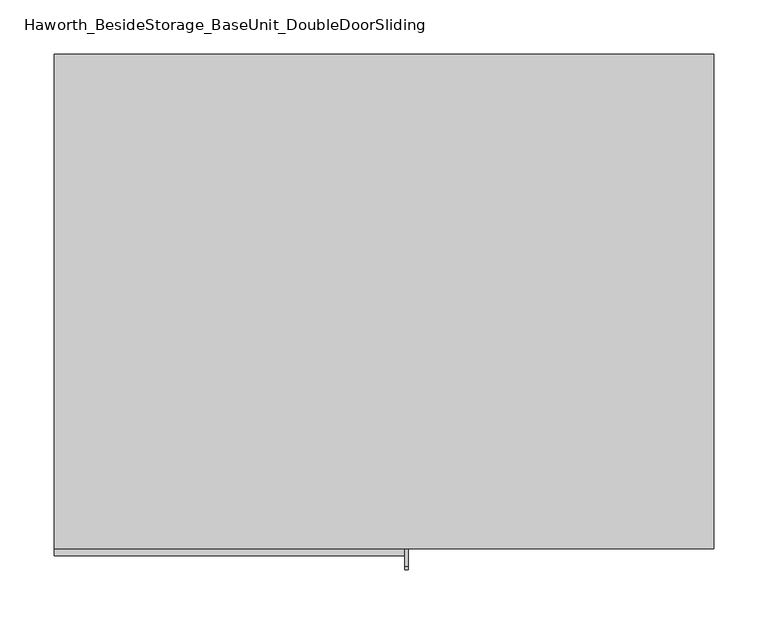
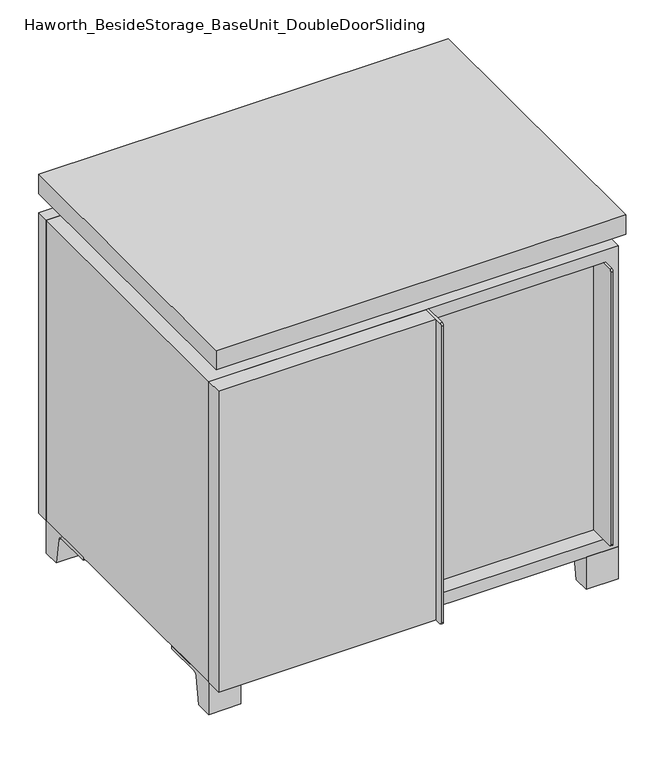
"""IFC4 building model written with IfcOpenShell, lengths in millimetres: furniture geometry, Haworth_BesideStorage_BaseUnit_DoubleDoorSliding."""

from ifc_helpers import new_model, si_unit, point, frame, frame_2d, origin, place, context, project, spatial, polyline, circle_curve, trimmed, segment, composite_curve, outline, extrude, faceted_brep, source, transform, mapped, element, save


def haworth_besidestorage_baseunit_doubledoorsliding_0dde89af(model_context):
    return source(origin(), model_context, "Body", "SolidModel", [
        extrude(outline(polyline([(9.5319453, 241.3), (285.7569453, 241.3), (285.7569453, -92.075), (9.5319453, -92.075), (9.5319453, 241.3)])), frame((0.0, 0.0, 277.8125), z_axis=(0.0, 0.0, 1.0), x_axis=(1.0, 0.0, 0.0)), (0.0, 0.0, 1.0), 19.05),
        extrude(outline(polyline([(-9.5041641, 241.3), (-9.5041641, -92.075), (-285.7291641, -92.075), (-285.7291641, 241.3), (-9.5041641, 241.3)])), frame((0.0, 0.0, 277.8125), z_axis=(0.0, 0.0, 1.0), x_axis=(1.0, 0.0, 0.0)), (0.0, 0.0, 1.0), 19.05),
        extrude(outline(composite_curve([segment(polyline([(-95.25, 504.825), (-95.25, 69.85), (-161.925, 69.85)]), True, "CONTINUOUS"), segment(trimmed(circle_curve(frame_2d((-161.925, 73.025)), 3.175), [point((-161.925, 69.85))], [point((-165.1, 73.025))], False, "CARTESIAN"), True, "CONTINUOUS"), segment(polyline([(-165.1, 73.025), (-165.1, 501.65)]), True, "CONTINUOUS"), segment(trimmed(circle_curve(frame_2d((-161.925, 501.65)), 3.175), [point((-165.1, 501.65))], [point((-161.925, 504.825))], False, "CARTESIAN"), True, "CONTINUOUS"), segment(polyline([(-161.925, 504.825), (-95.25, 504.825)]), True, "CONTINUOUS")], self_intersect=False)), frame((282.5819453, 0.0, 0.0), z_axis=(1.0, 0.0, 0.0), x_axis=(0.0, 1.0, 0.0)), (0.0, 0.0, 1.0), 3.175),
        extrude(outline(polyline([(15.8819453, -95.25), (282.5819453, -95.25), (282.5819453, -120.65), (15.8819453, -120.65), (15.8819453, -95.25)])), frame((0.0, 0.0, 69.85), z_axis=(0.0, 0.0, 1.0), x_axis=(1.0, 0.0, 0.0)), (0.0, 0.0, 1.0), 434.975),
        extrude(outline(polyline([(304.8138906, 292.1), (304.8138906, -165.1), (-304.7861094, -165.1), (-304.7861094, 292.1), (304.8138906, 292.1)])), frame((0.0, 0.0, 554.0375), z_axis=(0.0, 0.0, 1.0), x_axis=(1.0, 0.0, 0.0)), (0.0, 0.0, 1.0), 30.1625),
        extrude(outline(composite_curve([segment(polyline([(-146.05, 523.875), (-146.05, 50.8), (-180.975, 50.8)]), True, "CONTINUOUS"), segment(trimmed(circle_curve(frame_2d((-180.975, 53.975)), 3.175), [point((-180.975, 50.8))], [point((-184.15, 53.975))], False, "CARTESIAN"), True, "CONTINUOUS"), segment(polyline([(-184.15, 53.975), (-184.15, 520.7)]), True, "CONTINUOUS"), segment(trimmed(circle_curve(frame_2d((-180.975, 520.7)), 3.175), [point((-184.15, 520.7))], [point((-180.975, 523.875))], False, "CARTESIAN"), True, "CONTINUOUS"), segment(polyline([(-180.975, 523.875), (-146.05, 523.875)]), True, "CONTINUOUS")], self_intersect=False)), frame((19.0638906, 0.0, 0.0), z_axis=(1.0, 0.0, 0.0), x_axis=(0.0, 1.0, 0.0)), (0.0, 0.0, 1.0), 3.175),
        extrude(outline(polyline([(-304.7861094, -146.05), (19.0638906, -146.05), (19.0638906, -171.45), (-304.7861094, -171.45), (-304.7861094, -146.05)])), frame((0.0, 0.0, 50.8), z_axis=(0.0, 0.0, 1.0), x_axis=(1.0, 0.0, 0.0)), (0.0, 0.0, 1.0), 473.075),
        extrude(outline(composite_curve([segment(polyline([(-120.6500136, 0.0), (-146.05, 0.0), (-146.05, 50.8), (-50.8, 50.8), (-50.8, 46.0213321), (-107.6005345, 46.0213321)]), True, "CONTINUOUS"), segment(trimmed(circle_curve(frame_2d((-107.6005345, 39.6713321)), 6.35), [point((-107.6005345, 46.0213321))], [point((-113.8641359, 40.7152656))], True, "CARTESIAN"), True, "CONTINUOUS"), segment(polyline([(-113.8641359, 40.7152656), (-120.6500136, 0.0)]), True, "CONTINUOUS")], self_intersect=False)), frame((257.1888906, 0.0, 0.0), z_axis=(1.0, 0.0, 0.0), x_axis=(0.0, 1.0, 0.0)), (0.0, 0.0, 1.0), 47.625),
        extrude(outline(composite_curve([segment(polyline([(247.6500136, 0.0), (240.8641359, 40.7152656)]), True, "CONTINUOUS"), segment(trimmed(circle_curve(frame_2d((234.6005345, 39.6713321)), 6.35), [point((240.8641359, 40.7152656))], [point((234.6005345, 46.0213321))], True, "CARTESIAN"), True, "CONTINUOUS"), segment(polyline([(234.6005345, 46.0213321), (177.8, 46.0213321), (177.8, 50.8), (273.05, 50.8), (273.05, 0.0), (247.6500136, 0.0)]), True, "CONTINUOUS")], self_intersect=False)), frame((257.1888906, 0.0, 0.0), z_axis=(1.0, 0.0, 0.0), x_axis=(0.0, 1.0, 0.0)), (0.0, 0.0, 1.0), 47.625),
        extrude(outline(composite_curve([segment(polyline([(-120.6500136, 0.0), (-146.05, 0.0), (-146.05, 50.8), (-50.8, 50.8), (-50.8, 46.0213321), (-107.6005345, 46.0213321)]), True, "CONTINUOUS"), segment(trimmed(circle_curve(frame_2d((-107.6005345, 39.6713321)), 6.35), [point((-107.6005345, 46.0213321))], [point((-113.8641359, 40.7152656))], True, "CARTESIAN"), True, "CONTINUOUS"), segment(polyline([(-113.8641359, 40.7152656), (-120.6500136, 0.0)]), True, "CONTINUOUS")], self_intersect=False)), frame((-304.7861094, 0.0, 0.0), z_axis=(1.0, 0.0, 0.0), x_axis=(0.0, 1.0, 0.0)), (0.0, 0.0, 1.0), 47.625),
        extrude(outline(composite_curve([segment(polyline([(247.6500136, 0.0), (240.8641359, 40.7152656)]), True, "CONTINUOUS"), segment(trimmed(circle_curve(frame_2d((234.6005345, 39.6713321)), 6.35), [point((240.8641359, 40.7152656))], [point((234.6005345, 46.0213321))], True, "CARTESIAN"), True, "CONTINUOUS"), segment(polyline([(234.6005345, 46.0213321), (177.8, 46.0213321), (177.8, 50.8), (273.05, 50.8), (273.05, 0.0), (247.6500136, 0.0)]), True, "CONTINUOUS")], self_intersect=False)), frame((-304.7861094, 0.0, 0.0), z_axis=(1.0, 0.0, 0.0), x_axis=(0.0, 1.0, 0.0)), (0.0, 0.0, 1.0), 47.625),
        faceted_brep([(7.9513906, -120.65, 554.0375), (7.9513906, -120.65, 523.875), (7.9513906, 53.975, 523.875), (7.9513906, 53.975, 554.0375), (7.9513906, 247.65, 523.875), (7.9513906, 247.65, 554.0375), (7.9513906, 73.025, 554.0375), (7.9513906, 73.025, 523.875), (-7.9236094, 247.65, 554.0375), (-7.9236094, 247.65, 523.875), (-7.9236094, 73.025, 523.875), (-7.9236094, 73.025, 554.0375), (-7.9236094, -120.65, 523.875), (-7.9236094, -120.65, 554.0375), (-7.9236094, 53.975, 554.0375), (-7.9236094, 53.975, 523.875), (-263.4833281, 73.025, 554.0375), (-263.5041641, 247.65, 554.0375), (-279.3791641, 247.65, 554.0375), (-279.3791641, -120.65, 554.0375), (-263.5041641, -120.65, 554.0375), (-263.5041641, 53.975, 554.0375), (263.5111094, 53.975, 554.0375), (263.5111094, -120.65, 554.0375), (279.3861094, -120.65, 554.0375), (279.3861094, 247.65, 554.0375), (263.5111094, 247.65, 554.0375), (263.5111094, 73.025, 554.0375), (-263.4833281, 53.975, 523.875), (-263.5041641, -120.65, 523.875), (-279.3791641, -120.65, 523.875), (-279.3791641, 247.65, 523.875), (-263.5041641, 247.65, 523.875), (-263.5041641, 73.025, 523.875), (263.5111094, 73.025, 523.875), (263.5111094, 247.65, 523.875), (279.3861094, 247.65, 523.875), (279.3861094, -120.65, 523.875), (263.5111094, -120.65, 523.875), (263.5111094, 53.975, 523.875)], [[[0, 1, 2, 3]], [[4, 5, 6, 7]], [[8, 9, 10, 11]], [[12, 13, 14, 15]], [[5, 8, 11, 16, 17, 18, 19, 20, 21, 14, 13, 0, 3, 22, 23, 24, 25, 26, 27, 6]], [[1, 12, 15, 28, 29, 30, 31, 32, 33, 10, 9, 4, 7, 34, 35, 36, 37, 38, 39, 2]], [[5, 4, 9, 8]], [[1, 0, 13, 12]], [[6, 27, 34, 7]], [[22, 3, 2, 39]], [[20, 29, 28, 21]], [[32, 17, 16, 33]], [[18, 31, 30, 19]], [[29, 20, 19, 30]], [[17, 32, 31, 18]], [[26, 35, 34, 27]], [[38, 23, 22, 39]], [[25, 24, 37, 36]], [[23, 38, 37, 24]], [[35, 26, 25, 36]], [[16, 11, 10, 33]], [[14, 21, 28, 15]]]),
        extrude(outline(polyline([(9.5388906, 241.3), (9.5388906, -95.25), (-9.5111094, -95.25), (-9.5111094, 241.3), (9.5388906, 241.3)])), frame((0.0, 0.0, 69.85), z_axis=(0.0, 0.0, 1.0), x_axis=(1.0, 0.0, 0.0)), (0.0, 0.0, 1.0), 434.975),
        extrude(outline(polyline([(15.8888906, -88.9), (15.8888906, -146.05), (-9.5111094, -146.05), (-9.5111094, -120.65), (3.1888906, -120.65), (3.1888906, -88.9), (15.8888906, -88.9)])), frame((0.0, 0.0, 69.85), z_axis=(0.0, 0.0, 1.0), x_axis=(1.0, 0.0, 0.0)), (0.0, 0.0, 1.0), 434.975),
        extrude(outline(polyline([(304.8138906, 273.05), (-304.7861094, 273.05), (-304.7861094, 292.1), (304.8138906, 292.1), (304.8138906, 273.05)])), frame((0.0, 0.0, 50.8), z_axis=(0.0, 0.0, 1.0), x_axis=(1.0, 0.0, 0.0)), (0.0, 0.0, 1.0), 473.075),
        extrude(outline(polyline([(50.8, -304.7861094), (50.8, 304.8), (523.875, 304.8), (523.875, -304.7861094), (50.8, -304.7861094)]), holes=[polyline([(69.85, -285.7361094), (504.825, -285.7361094), (504.825, 285.7361094), (69.85, 285.7361094), (69.85, -285.7361094)])]), frame((0.0, -146.05, 0.0), z_axis=(0.0, 1.0, 0.0), x_axis=(0.0, 0.0, 1.0)), (0.0, 0.0, 1.0), 419.1),
        extrude(outline(polyline([(-285.7291641, 241.3), (-285.7291641, 247.65), (285.7569453, 247.65), (285.7569453, 241.3), (-285.7291641, 241.3)])), frame((0.0, 0.0, 69.85), z_axis=(0.0, 0.0, 1.0), x_axis=(1.0, 0.0, 0.0)), (0.0, 0.0, 1.0), 434.975),
    ])


if __name__ == "__main__":
    model = new_model("IFC4")
    model_context = context("Model", 3, world=origin())
    ifc_project = project(units=[si_unit("LENGTHUNIT", "METRE", prefix="MILLI")], contexts=[model_context])
    site = spatial("IfcSite", under=ifc_project)
    building = spatial("IfcBuilding", under=site)
    placement = place(None, origin())
    haworth_besidestorage_baseunit_doubledoorsliding_shape = haworth_besidestorage_baseunit_doubledoorsliding_0dde89af(model_context)
    element("IfcFurniture", 1, ObjectType="Haworth_BesideStorage_BaseUnit_DoubleDoorSliding", at=placement, inside=building, context=model_context, shape_type="MappedRepresentation", body=[
        mapped(haworth_besidestorage_baseunit_doubledoorsliding_shape, transform((0.0, 0.0, 0.0), x_axis=(1.0, 0.0, 0.0), y_axis=(0.0, 1.0, 0.0), z_axis=(0.0, 0.0, 1.0))),
    ])
    save(model, "model.ifc")
